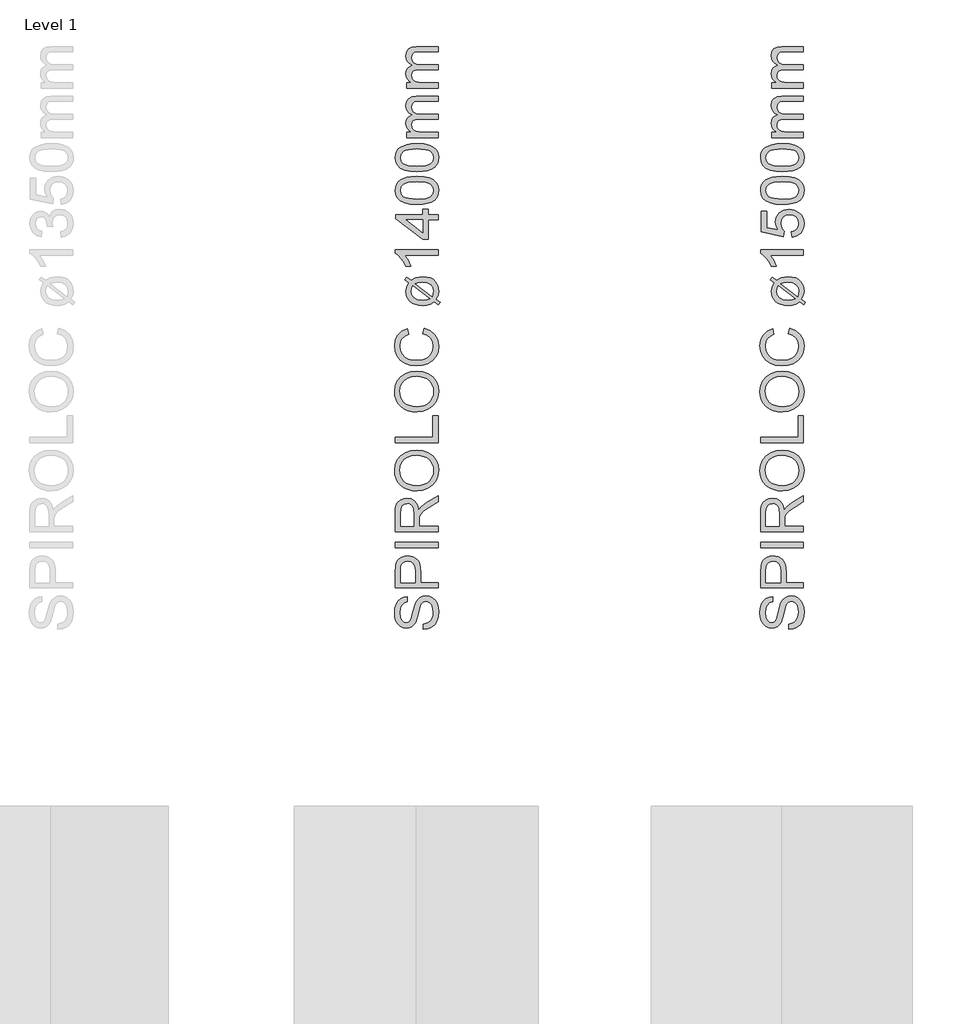
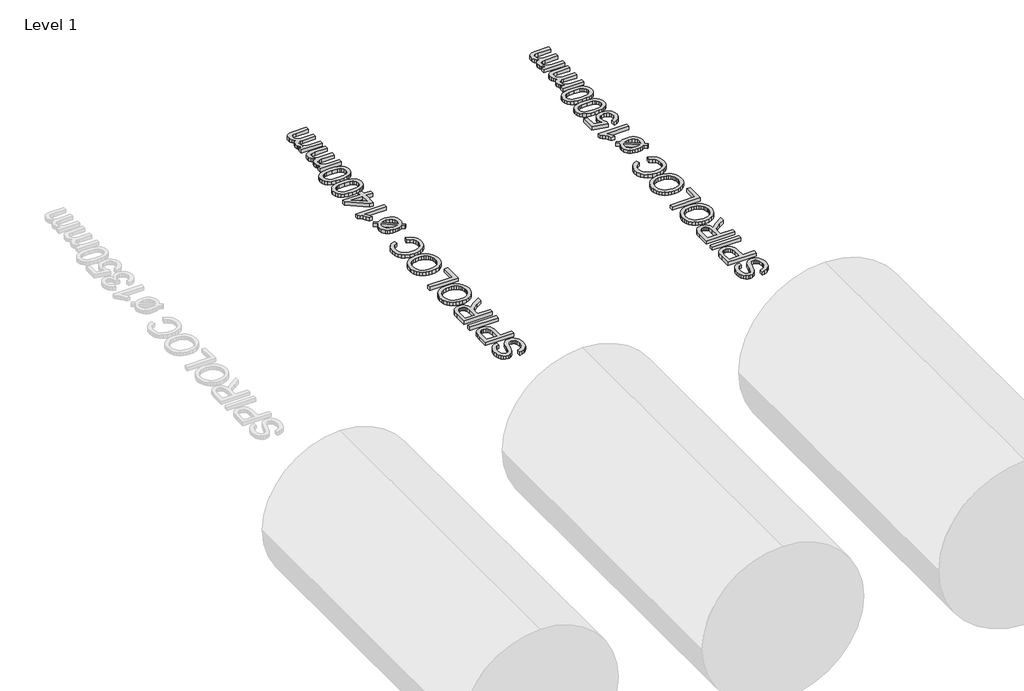
# One storey, part 19 of 19: 2 proxies.
"""IFC4 building model written with IfcOpenShell, lengths in millimetres."""

from ifc_helpers import new_model, si_unit, origin, origin_with_axes, place, context, project, spatial, polyline, outline, extrude, element, save

model = new_model("IFC4")

# Units and contexts
model_context = context("Model", 3, world=origin())
ifc_project = project(units=[si_unit("LENGTHUNIT", "METRE", prefix="MILLI")], contexts=[model_context])

# Site, building, storey
site = spatial("IfcSite", under=ifc_project)
building = spatial("IfcBuilding", under=site)
storey = spatial("IfcBuildingStorey", under=building, Name="Level 1", Elevation=0.0)

# Proxies
placement = place(None, origin())
element("IfcBuildingElementProxy", 1, Name="250mm", ObjectType="250mm", at=placement, inside=storey, context=model_context, shape_type="SweptSolid", body=[
    extrude(outline(polyline([(18688.3043383, 11932.8312074), (18688.3043383, 11963.6004382), (18705.3791581, 11967.1310873), (18719.1036172, 11973.5163036), (18729.9960451, 11983.4772411), (18738.574771, 11997.7350536), (18744.1411773, 12015.1629382), (18745.996646, 12034.6340921), (18740.3776557, 12066.7855344), (18733.7069826, 12078.9474935), (18724.9329441, 12087.5487555), (18714.8593263, 12092.6644406), (18704.2899153, 12094.369669), (18685.0891941, 12089.2614959), (18677.4945427, 12081.479044), (18671.1168383, 12068.3480344), (18659.3680403, 12023.5463517), (18644.1937614, 11975.3191882), (18633.8421989, 11960.002181), (18621.2971268, 11949.1473132), (18606.8289778, 11942.6794647), (18590.7081845, 11940.5235151), (18572.6868504, 11943.190282), (18555.8824633, 11951.1905824), (18541.6396749, 11964.31408), (18531.3031364, 11982.3504382), (18525.0155763, 12004.0000776), (18522.919723, 12027.963419), (18525.1132326, 12053.9249574), (18531.6937614, 12076.6413036), (18542.5260932, 12095.3011594), (18557.4750114, 12109.0932267), (18575.6090258, 12117.822193), (18595.996646, 12121.2927459), (18595.996646, 12090.5235151), (18577.637271, 12084.8744767), (18564.3860691, 12073.0956305), (18556.3632326, 12054.6911834), (18553.6889537, 12029.1653421), (18556.3331845, 12003.0385392), (18564.2658768, 11985.1148613), (18575.9395547, 11974.7482748), (18589.8067422, 11971.2927459), (18601.6306605, 11973.7416642), (18611.1408768, 11981.088419), (18619.6444826, 11998.4562074), (18628.3283768, 12031.3288036), (18643.7730883, 12085.775919), (18654.9359489, 12103.3164839), (18668.7129922, 12115.5535632), (18684.9539778, 12122.7425656), (18703.5086653, 12125.1388998), (18722.4765138, 12122.3819887), (18740.3175595, 12114.1112555), (18755.6721268, 12100.6647411), (18767.1805403, 12082.3804863), (18774.3695427, 12060.392806), (18776.7658768, 12035.8360151), (18774.1817422, 12005.690282), (18766.4293383, 11980.8780824), (18753.4786172, 11961.1139599), (18735.2995307, 11946.1124574), (18713.154098, 11936.4820488), (18688.3043383, 11932.8312074)])), origin_with_axes(), (0.0, 0.0, 1.0), 30.0),
    extrude(outline(polyline([(18772.919723, 12171.2927459), (18526.7658768, 12171.2927459), (18526.7658768, 12262.5187074), (18529.1096268, 12299.2975536), (18533.489134, 12315.6962916), (18540.6180403, 12329.1953901), (18550.8193624, 12340.065282), (18564.4161172, 12348.5763998), (18580.4542783, 12354.0751978), (18597.9798191, 12355.9081305), (18626.9912374, 12350.9577099), (18651.1649153, 12336.1064478), (18660.6826436, 12324.2130434), (18667.481021, 12308.3345127), (18671.5600475, 12288.4708559), (18672.919723, 12264.6220728), (18672.919723, 12202.0619767), (18772.919723, 12202.0619767), (18772.919723, 12171.2927459)]), holes=[polyline([(18642.1504922, 12202.0619767), (18642.1504922, 12266.4249574), (18639.325973, 12293.7086113), (18630.8524153, 12311.7374574), (18617.2556605, 12321.7885392), (18599.0615499, 12325.1388998), (18585.2394345, 12323.1632387), (18573.5807807, 12317.2362555), (18564.8067422, 12308.0941281), (18559.638473, 12296.4730344), (18557.5351076, 12265.7038036), (18557.5351076, 12202.0619767), (18642.1504922, 12202.0619767)])]), origin_with_axes(), (0.0, 0.0, 1.0), 30.0),
    extrude(outline(polyline([(18772.919723, 12402.0619767), (18526.7658768, 12402.0619767), (18526.7658768, 12432.8312074), (18772.919723, 12432.8312074), (18772.919723, 12402.0619767)])), origin_with_axes(), (0.0, 0.0, 1.0), 30.0),
    extrude(outline(polyline([(18772.919723, 12494.369669), (18526.7658768, 12494.369669), (18526.7658768, 12600.4393805), (18528.4260331, 12628.9474935), (18533.4065018, 12649.6881786), (18542.6012133, 12664.8474334), (18556.904098, 12676.6112555), (18574.6399754, 12684.1608349), (18594.1336653, 12686.6773613), (18618.3824633, 12682.5081906), (18638.4846268, 12670.0006786), (18653.2232085, 12648.7792243), (18661.3812614, 12618.4682267), (18674.5423191, 12635.9562074), (18706.2129922, 12660.8961113), (18772.919723, 12701.9417844), (18772.919723, 12666.1845728), (18721.8980883, 12634.1533228), (18688.1240499, 12611.0163036), (18672.168521, 12594.760294), (18666.309146, 12580.1268805), (18665.2274153, 12562.2783228), (18665.2274153, 12525.1388998), (18772.919723, 12525.1388998), (18772.919723, 12494.369669)]), holes=[polyline([(18634.4581845, 12525.1388998), (18634.4581845, 12594.0090921), (18630.1012133, 12629.135294), (18624.4371508, 12640.6887796), (18616.1589057, 12649.0872171), (18606.145384, 12654.2029022), (18595.2754922, 12655.9081305), (18580.2664778, 12652.6554262), (18568.1721268, 12642.8973132), (18560.1943624, 12626.1079502), (18557.5351076, 12601.7614959), (18557.5351076, 12525.1388998), (18634.4581845, 12525.1388998)])]), origin_with_axes(), (0.0, 0.0, 1.0), 30.0),
    extrude(outline(polyline([(18653.0879922, 12728.9850536), (18624.2155463, 12731.0358349), (18598.6559008, 12737.1881786), (18576.4090559, 12747.4420849), (18557.4750114, 12761.7975536), (18542.3570727, 12779.3944587), (18531.5585451, 12799.3726738), (18525.0794285, 12821.732199), (18522.919723, 12846.4730344), (18526.9762133, 12878.759693), (18539.1456845, 12907.7110151), (18558.5717662, 12931.7494767), (18584.3980883, 12949.2975536), (18615.3776557, 12960.0247171), (18650.263473, 12963.6004382), (18685.6150355, 12959.8369166), (18717.0302999, 12948.5463517), (18742.9016941, 12930.3522411), (18761.621646, 12905.8780824), (18772.9798191, 12877.174657), (18776.7658768, 12846.2927459), (18772.5816821, 12813.510294), (18760.029098, 12784.3937074), (18740.2424393, 12760.4153421), (18714.356021, 12743.0475536), (18684.5708648, 12732.5006786), (18653.0879922, 12728.9850536)]), holes=[polyline([(18653.388473, 12759.7542844), (18673.7873612, 12761.2923703), (18691.8950835, 12765.9066281), (18707.71164, 12773.5970578), (18721.2370307, 12784.3636594), (18732.0693624, 12797.4514749), (18739.8067422, 12812.1055464), (18744.4491701, 12828.3258739), (18745.996646, 12846.1124574), (18744.434146, 12864.2032778), (18739.746646, 12880.6151618), (18731.934146, 12895.3481095), (18720.996646, 12908.4021209), (18707.1857987, 12919.0898463), (18690.7532566, 12926.7239358), (18671.6990198, 12931.3043895), (18650.0230883, 12932.8312074), (18622.7845066, 12930.2170248), (18599.2418383, 12922.3744767), (18579.9885331, 12909.5063877), (18565.6180403, 12891.8155824), (18556.6712254, 12870.4739358), (18553.6889537, 12846.6533228), (18559.4356484, 12813.5553661), (18576.6757326, 12785.4153421), (18590.0903209, 12774.1886293), (18607.3473071, 12766.1695488), (18628.4466911, 12761.3581005), (18653.388473, 12759.7542844)])]), origin_with_axes(), (0.0, 0.0, 1.0), 30.0),
    extrude(outline(polyline([(18772.919723, 13005.9081305), (18526.7658768, 13005.9081305), (18526.7658768, 13036.6773613), (18742.1504922, 13036.6773613), (18742.1504922, 13159.7542844), (18772.919723, 13159.7542844), (18772.919723, 13005.9081305)])), origin_with_axes(), (0.0, 0.0, 1.0), 30.0),
    extrude(outline(polyline([(18653.0879922, 13182.8312074), (18624.2155463, 13184.8819887), (18598.6559008, 13191.0343324), (18576.4090559, 13201.2882387), (18557.4750114, 13215.6437074), (18542.3570727, 13233.2406125), (18531.5585451, 13253.2188276), (18525.0794285, 13275.5783529), (18522.919723, 13300.3191882), (18526.9762133, 13332.6058469), (18539.1456845, 13361.557169), (18558.5717662, 13385.5956305), (18584.3980883, 13403.1437074), (18615.3776557, 13413.8708709), (18650.263473, 13417.4465921), (18685.6150355, 13413.6830704), (18717.0302999, 13402.3925055), (18742.9016941, 13384.1983949), (18761.621646, 13359.7242363), (18772.9798191, 13331.0208108), (18776.7658768, 13300.1388998), (18772.5816821, 13267.3564478), (18760.029098, 13238.2398613), (18740.2424393, 13214.2614959), (18714.356021, 13196.8937074), (18684.5708648, 13186.3468324), (18653.0879922, 13182.8312074)]), holes=[polyline([(18653.388473, 13213.6004382), (18673.7873612, 13215.1385242), (18691.8950835, 13219.752782), (18707.71164, 13227.4432117), (18721.2370307, 13238.2098132), (18732.0693624, 13251.2976287), (18739.8067422, 13265.9517002), (18744.4491701, 13282.1720278), (18745.996646, 13299.9586113), (18744.434146, 13318.0494316), (18739.746646, 13334.4613156), (18731.934146, 13349.1942633), (18720.996646, 13362.2482748), (18707.1857987, 13372.9360001), (18690.7532566, 13380.5700897), (18671.6990198, 13385.1505434), (18650.0230883, 13386.6773613), (18622.7845066, 13384.0631786), (18599.2418383, 13376.2206305), (18579.9885331, 13363.3525416), (18565.6180403, 13345.6617363), (18556.6712254, 13324.3200897), (18553.6889537, 13300.4994767), (18559.4356484, 13267.4015199), (18576.6757326, 13239.2614959), (18590.0903209, 13228.0347832), (18607.3473071, 13220.0157026), (18628.4466911, 13215.2042543), (18653.388473, 13213.6004382)])]), origin_with_axes(), (0.0, 0.0, 1.0), 30.0),
    extrude(outline(polyline([(18685.419723, 13632.8312074), (18693.3524153, 13663.6004382), (18729.2072831, 13649.4027219), (18755.4016941, 13627.1220728), (18771.4248311, 13597.8552459), (18776.7658768, 13562.6989959), (18772.7244105, 13527.0093925), (18760.6000114, 13498.666544), (18740.8133528, 13476.9417844), (18713.7851076, 13461.1064478), (18682.0092662, 13451.4384791), (18647.9798191, 13448.2158228), (18612.0873912, 13451.8591522), (18581.0927999, 13462.7891401), (18555.9801196, 13480.4348733), (18537.7334249, 13504.2254382), (18526.6231484, 13532.4405824), (18522.919723, 13563.3600536), (18527.7123912, 13597.096532), (18542.090396, 13624.9886594), (18565.1673191, 13646.1650416), (18596.0567422, 13659.7542844), (18603.388473, 13628.9850536), (18580.9500715, 13618.3179863), (18565.5579441, 13603.744669), (18556.6562013, 13585.0848132), (18553.6889537, 13562.1581305), (18556.9792182, 13535.7308469), (18566.8500114, 13514.0211113), (18582.2646749, 13497.5472531), (18602.1865499, 13486.8276017), (18624.7075835, 13480.9456906), (18647.919723, 13478.9850536), (18676.3452037, 13481.3062675), (18700.9245307, 13488.2699094), (18720.7187013, 13500.1388998), (18734.7887133, 13517.1761594), (18743.1946629, 13537.6013397), (18745.996646, 13559.6340921), (18742.1805403, 13585.3176858), (18730.732223, 13606.7194286), (18711.7718864, 13622.877782), (18685.419723, 13632.8312074)])), origin_with_axes(), (0.0, 0.0, 1.0), 30.0),
    extrude(outline(polyline([(18605.8524153, 13924.8985151), (18581.5735691, 13943.2879382), (18592.7514537, 13957.9513998), (18618.1721268, 13938.6605344), (18644.434146, 13954.1653421), (18683.6168383, 13959.7542844), (18707.1595066, 13958.0077399), (18727.3668383, 13952.7681065), (18744.2388335, 13944.0353841), (18757.7754922, 13931.8095728), (18772.0182807, 13906.8245969), (18776.7658768, 13877.182169), (18772.7244105, 13852.4375776), (18760.6000114, 13830.7278421), (18784.4581845, 13812.6388998), (18773.5206845, 13797.7350536), (18750.7442422, 13815.0427459), (18727.5471268, 13801.0403421), (18707.7454441, 13796.0373373), (18685.4798191, 13794.369669), (18661.593476, 13795.8870969), (18641.2565619, 13800.4393805), (18624.4690769, 13808.0265199), (18611.231021, 13818.6485151), (18594.036009, 13845.0457507), (18588.3043383, 13875.6797651), (18592.5411172, 13900.619669), (18605.8524153, 13924.8985151)]), holes=[polyline([(18627.7274153, 13908.3119767), (18621.2370307, 13892.9273613), (18619.0735691, 13876.8215921), (18623.2277158, 13856.6142603), (18635.6901557, 13839.9826498), (18656.3707446, 13828.8498373), (18685.1793383, 13825.1388998), (18707.5952037, 13827.2873373), (18726.044723, 13833.7326498), (18627.7274153, 13908.3119767)]), polyline([(18643.1120307, 13919.7903421), (18740.888473, 13845.6316882), (18745.996646, 13875.1989959), (18741.9326436, 13896.5331305), (18729.7406364, 13913.7807267), (18709.4356484, 13925.1839719), (18681.0327037, 13928.9850536), (18659.8187614, 13926.6413036), (18643.1120307, 13919.7903421)])]), origin_with_axes(), (0.0, 0.0, 1.0), 30.0),
    extrude(outline(polyline([(18772.919723, 14113.6004382), (18772.919723, 14082.8312074), (18581.0927999, 14082.8312074), (18601.856021, 14053.6845728), (18617.3908768, 14021.2927459), (18588.3043383, 14021.2927459), (18575.1583047, 14045.4589118), (18559.5182807, 14066.3949094), (18542.8866701, 14082.8988156), (18526.7658768, 14093.7687074), (18526.7658768, 14113.6004382), (18772.919723, 14113.6004382)])), origin_with_axes(), (0.0, 0.0, 1.0), 30.0),
    extrude(outline(polyline([(18772.919723, 14286.6773613), (18715.2274153, 14286.6773613), (18715.2274153, 14175.1388998), (18684.4581845, 14175.1388998), (18530.6120307, 14294.369669), (18530.6120307, 14317.4465921), (18684.4581845, 14317.4465921), (18684.4581845, 14348.2158228), (18715.2274153, 14348.2158228), (18715.2274153, 14317.4465921), (18772.919723, 14317.4465921), (18772.919723, 14286.6773613)]), holes=[polyline([(18684.4581845, 14286.6773613), (18589.3860691, 14286.6773613), (18684.4581845, 14212.9994767), (18684.4581845, 14286.6773613)])]), origin_with_axes(), (0.0, 0.0, 1.0), 30.0),
    extrude(outline(polyline([(18651.825973, 14375.1388998), (18612.4254321, 14377.4000175), (18581.0026557, 14384.1833709), (18557.0768744, 14395.4213517), (18540.1673191, 14411.0463517), (18530.1162374, 14431.1710512), (18526.7658768, 14455.9081305), (18528.7490499, 14474.8684671), (18534.6985691, 14491.8456305), (18544.3815619, 14506.0433469), (18557.5651557, 14516.6653421), (18593.9834249, 14531.088419), (18619.1862494, 14535.2801257), (18651.825973, 14536.6773613), (18691.0011533, 14534.4387796), (18722.3488095, 14527.7230344), (18746.2971268, 14516.5526618), (18763.2742903, 14500.9501978), (18773.3929802, 14480.7804262), (18776.7658768, 14455.9081305), (18775.3010331, 14438.9610151), (18770.9065018, 14423.9369767), (18763.5822831, 14410.8360151), (18753.3283768, 14399.6581305), (18734.7924694, 14388.9309671), (18711.6967662, 14381.2687074), (18684.0412674, 14376.6713517), (18651.825973, 14375.1388998)]), holes=[polyline([(18651.7658768, 14405.9081305), (18700.1658167, 14409.5138998), (18716.7204291, 14414.0211113), (18728.1781364, 14420.3312074), (18741.5420186, 14436.4369767), (18745.996646, 14455.9081305), (18741.5269946, 14475.3792844), (18728.1180403, 14491.4850536), (18716.6415529, 14497.7951498), (18700.0906965, 14502.3023613), (18651.7658768, 14505.9081305), (18604.4551797, 14502.4225536), (18587.9550295, 14498.0655824), (18576.2250114, 14491.9658228), (18562.2075835, 14475.8901017), (18557.5351076, 14455.5475536), (18561.6516941, 14436.2867363), (18574.0014537, 14420.8119767), (18586.7718864, 14414.291544), (18603.9894345, 14409.6340921), (18651.7658768, 14405.9081305)])]), origin_with_axes(), (0.0, 0.0, 1.0), 30.0),
    extrude(outline(polyline([(18651.825973, 14563.6004382), (18612.4254321, 14565.861556), (18581.0026557, 14572.6449094), (18557.0768744, 14583.8828901), (18540.1673191, 14599.5078901), (18530.1162374, 14619.6325897), (18526.7658768, 14644.369669), (18528.7490499, 14663.3300055), (18534.6985691, 14680.307169), (18544.3815619, 14694.5048853), (18557.5651557, 14705.1268805), (18593.9834249, 14719.5499574), (18619.1862494, 14723.7416642), (18651.825973, 14725.1388998), (18691.0011533, 14722.900318), (18722.3488095, 14716.1845728), (18746.2971268, 14705.0142002), (18763.2742903, 14689.4117363), (18773.3929802, 14669.2419647), (18776.7658768, 14644.369669), (18775.3010331, 14627.4225536), (18770.9065018, 14612.3985151), (18763.5822831, 14599.2975536), (18753.3283768, 14588.119669), (18734.7924694, 14577.3925055), (18711.6967662, 14569.7302459), (18684.0412674, 14565.1328901), (18651.825973, 14563.6004382)]), holes=[polyline([(18651.7658768, 14594.369669), (18700.1658167, 14597.9754382), (18716.7204291, 14602.4826498), (18728.1781364, 14608.7927459), (18741.5420186, 14624.8985151), (18745.996646, 14644.369669), (18741.5269946, 14663.8408228), (18728.1180403, 14679.9465921), (18716.6415529, 14686.2566882), (18700.0906965, 14690.7638998), (18651.7658768, 14694.369669), (18604.4551797, 14690.8840921), (18587.9550295, 14686.5271209), (18576.2250114, 14680.4273613), (18562.2075835, 14664.3516401), (18557.5351076, 14644.0090921), (18561.6516941, 14624.7482748), (18574.0014537, 14609.2735151), (18586.7718864, 14602.7530824), (18603.9894345, 14598.0956305), (18651.7658768, 14594.369669)])]), origin_with_axes(), (0.0, 0.0, 1.0), 30.0),
    extrude(outline(polyline([(18772.919723, 14759.7542844), (18592.1504922, 14759.7542844), (18592.1504922, 14790.5235151), (18621.8980883, 14790.5235151), (18608.2337254, 14799.7783228), (18597.529098, 14811.6773613), (18590.6105283, 14825.8149815), (18588.3043383, 14841.7855344), (18590.6556004, 14858.8979142), (18597.7093864, 14872.6148613), (18608.9999513, 14882.8612555), (18624.0615499, 14889.5619767), (18608.4177698, 14900.7774214), (18597.2436412, 14913.5703901), (18590.5391641, 14927.9408829), (18588.3043383, 14943.8888998), (18592.0227879, 14967.018407), (18603.1781364, 14984.1232748), (18622.0708648, 14994.6926858), (18649.0014537, 14998.2158228), (18772.919723, 14998.2158228), (18772.919723, 14967.4465921), (18662.2226076, 14967.4465921), (18636.5315018, 14964.5920248), (18623.8812614, 14954.2554863), (18619.0735691, 14936.6773613), (18622.153497, 14920.0081906), (18631.3932807, 14906.4189478), (18647.4239297, 14897.3819887), (18670.8764537, 14894.369669), (18772.919723, 14894.369669), (18772.919723, 14863.6004382), (18658.7971268, 14863.6004382), (18641.3992903, 14861.8200897), (18628.9894345, 14856.479044), (18621.5525355, 14847.0815079), (18619.0735691, 14833.1316882), (18620.7262133, 14821.2777219), (18625.684146, 14810.3552459), (18633.8271749, 14801.3408228), (18645.0351076, 14795.2110151), (18681.7538576, 14790.5235151), (18772.919723, 14790.5235151), (18772.919723, 14759.7542844)])), origin_with_axes(), (0.0, 0.0, 1.0), 30.0),
    extrude(outline(polyline([(18772.919723, 15044.369669), (18592.1504922, 15044.369669), (18592.1504922, 15075.1388998), (18621.8980883, 15075.1388998), (18608.2337254, 15084.3937074), (18597.529098, 15096.2927459), (18590.6105283, 15110.4303661), (18588.3043383, 15126.400919), (18590.6556004, 15143.5132988), (18597.7093864, 15157.2302459), (18608.9999513, 15167.4766401), (18624.0615499, 15174.1773613), (18608.4177698, 15185.392806), (18597.2436412, 15198.1857748), (18590.5391641, 15212.5562675), (18588.3043383, 15228.5042844), (18592.0227879, 15251.6337916), (18603.1781364, 15268.7386594), (18622.0708648, 15279.3080704), (18649.0014537, 15282.8312074), (18772.919723, 15282.8312074), (18772.919723, 15252.0619767), (18662.2226076, 15252.0619767), (18636.5315018, 15249.2074094), (18623.8812614, 15238.8708709), (18619.0735691, 15221.2927459), (18622.153497, 15204.6235752), (18631.3932807, 15191.0343324), (18647.4239297, 15181.9973733), (18670.8764537, 15178.9850536), (18772.919723, 15178.9850536), (18772.919723, 15148.2158228), (18658.7971268, 15148.2158228), (18641.3992903, 15146.4354743), (18628.9894345, 15141.0944286), (18621.5525355, 15131.6968925), (18619.0735691, 15117.7470728), (18620.7262133, 15105.8931065), (18625.684146, 15094.9706305), (18633.8271749, 15085.9562074), (18645.0351076, 15079.8263998), (18681.7538576, 15075.1388998), (18772.919723, 15075.1388998), (18772.919723, 15044.369669)])), origin_with_axes(), (0.0, 0.0, 1.0), 30.0),
])
element("IfcBuildingElementProxy", 2, Name="250mm", ObjectType="250mm", at=placement, inside=storey, context=model_context, shape_type="SweptSolid", body=[
    extrude(outline(polyline([(20788.3043383, 11932.8312074), (20788.3043383, 11963.6004382), (20805.3791581, 11967.1310873), (20819.1036172, 11973.5163036), (20829.9960451, 11983.4772411), (20838.574771, 11997.7350536), (20844.1411773, 12015.1629382), (20845.996646, 12034.6340921), (20840.3776557, 12066.7855344), (20833.7069826, 12078.9474935), (20824.9329441, 12087.5487555), (20814.8593263, 12092.6644406), (20804.2899153, 12094.369669), (20785.0891941, 12089.2614959), (20777.4945427, 12081.479044), (20771.1168383, 12068.3480344), (20759.3680403, 12023.5463517), (20744.1937614, 11975.3191882), (20733.8421989, 11960.002181), (20721.2971268, 11949.1473132), (20706.8289778, 11942.6794647), (20690.7081845, 11940.5235151), (20672.6868504, 11943.190282), (20655.8824633, 11951.1905824), (20641.6396749, 11964.31408), (20631.3031364, 11982.3504382), (20625.0155763, 12004.0000776), (20622.919723, 12027.963419), (20625.1132326, 12053.9249574), (20631.6937614, 12076.6413036), (20642.5260932, 12095.3011594), (20657.4750114, 12109.0932267), (20675.6090258, 12117.822193), (20695.996646, 12121.2927459), (20695.996646, 12090.5235151), (20677.637271, 12084.8744767), (20664.3860691, 12073.0956305), (20656.3632326, 12054.6911834), (20653.6889537, 12029.1653421), (20656.3331845, 12003.0385392), (20664.2658768, 11985.1148613), (20675.9395547, 11974.7482748), (20689.8067422, 11971.2927459), (20701.6306605, 11973.7416642), (20711.1408768, 11981.088419), (20719.6444826, 11998.4562074), (20728.3283768, 12031.3288036), (20743.7730883, 12085.775919), (20754.9359489, 12103.3164839), (20768.7129922, 12115.5535632), (20784.9539778, 12122.7425656), (20803.5086653, 12125.1388998), (20822.4765138, 12122.3819887), (20840.3175595, 12114.1112555), (20855.6721268, 12100.6647411), (20867.1805403, 12082.3804863), (20874.3695427, 12060.392806), (20876.7658768, 12035.8360151), (20874.1817422, 12005.690282), (20866.4293383, 11980.8780824), (20853.4786172, 11961.1139599), (20835.2995307, 11946.1124574), (20813.154098, 11936.4820488), (20788.3043383, 11932.8312074)])), origin_with_axes(), (0.0, 0.0, 1.0), 30.0),
    extrude(outline(polyline([(20872.919723, 12171.2927459), (20626.7658768, 12171.2927459), (20626.7658768, 12262.5187074), (20629.1096268, 12299.2975536), (20633.489134, 12315.6962916), (20640.6180403, 12329.1953901), (20650.8193624, 12340.065282), (20664.4161172, 12348.5763998), (20680.4542783, 12354.0751978), (20697.9798191, 12355.9081305), (20726.9912374, 12350.9577099), (20751.1649153, 12336.1064478), (20760.6826436, 12324.2130434), (20767.481021, 12308.3345127), (20771.5600475, 12288.4708559), (20772.919723, 12264.6220728), (20772.919723, 12202.0619767), (20872.919723, 12202.0619767), (20872.919723, 12171.2927459)]), holes=[polyline([(20742.1504922, 12202.0619767), (20742.1504922, 12266.4249574), (20739.325973, 12293.7086113), (20730.8524153, 12311.7374574), (20717.2556605, 12321.7885392), (20699.0615499, 12325.1388998), (20685.2394345, 12323.1632387), (20673.5807807, 12317.2362555), (20664.8067422, 12308.0941281), (20659.638473, 12296.4730344), (20657.5351076, 12265.7038036), (20657.5351076, 12202.0619767), (20742.1504922, 12202.0619767)])]), origin_with_axes(), (0.0, 0.0, 1.0), 30.0),
    extrude(outline(polyline([(20872.919723, 12402.0619767), (20626.7658768, 12402.0619767), (20626.7658768, 12432.8312074), (20872.919723, 12432.8312074), (20872.919723, 12402.0619767)])), origin_with_axes(), (0.0, 0.0, 1.0), 30.0),
    extrude(outline(polyline([(20872.919723, 12494.369669), (20626.7658768, 12494.369669), (20626.7658768, 12600.4393805), (20628.4260331, 12628.9474935), (20633.4065018, 12649.6881786), (20642.6012133, 12664.8474334), (20656.904098, 12676.6112555), (20674.6399754, 12684.1608349), (20694.1336653, 12686.6773613), (20718.3824633, 12682.5081906), (20738.4846268, 12670.0006786), (20753.2232085, 12648.7792243), (20761.3812614, 12618.4682267), (20774.5423191, 12635.9562074), (20806.2129922, 12660.8961113), (20872.919723, 12701.9417844), (20872.919723, 12666.1845728), (20821.8980883, 12634.1533228), (20788.1240499, 12611.0163036), (20772.168521, 12594.760294), (20766.309146, 12580.1268805), (20765.2274153, 12562.2783228), (20765.2274153, 12525.1388998), (20872.919723, 12525.1388998), (20872.919723, 12494.369669)]), holes=[polyline([(20734.4581845, 12525.1388998), (20734.4581845, 12594.0090921), (20730.1012133, 12629.135294), (20724.4371508, 12640.6887796), (20716.1589057, 12649.0872171), (20706.145384, 12654.2029022), (20695.2754922, 12655.9081305), (20680.2664778, 12652.6554262), (20668.1721268, 12642.8973132), (20660.1943624, 12626.1079502), (20657.5351076, 12601.7614959), (20657.5351076, 12525.1388998), (20734.4581845, 12525.1388998)])]), origin_with_axes(), (0.0, 0.0, 1.0), 30.0),
    extrude(outline(polyline([(20753.0879922, 12728.9850536), (20724.2155463, 12731.0358349), (20698.6559008, 12737.1881786), (20676.4090559, 12747.4420849), (20657.4750114, 12761.7975536), (20642.3570727, 12779.3944587), (20631.5585451, 12799.3726738), (20625.0794285, 12821.732199), (20622.919723, 12846.4730344), (20626.9762133, 12878.759693), (20639.1456845, 12907.7110151), (20658.5717662, 12931.7494767), (20684.3980883, 12949.2975536), (20715.3776557, 12960.0247171), (20750.263473, 12963.6004382), (20785.6150355, 12959.8369166), (20817.0302999, 12948.5463517), (20842.9016941, 12930.3522411), (20861.621646, 12905.8780824), (20872.9798191, 12877.174657), (20876.7658768, 12846.2927459), (20872.5816821, 12813.510294), (20860.029098, 12784.3937074), (20840.2424393, 12760.4153421), (20814.356021, 12743.0475536), (20784.5708648, 12732.5006786), (20753.0879922, 12728.9850536)]), holes=[polyline([(20753.388473, 12759.7542844), (20773.7873612, 12761.2923703), (20791.8950835, 12765.9066281), (20807.71164, 12773.5970578), (20821.2370307, 12784.3636594), (20832.0693624, 12797.4514749), (20839.8067422, 12812.1055464), (20844.4491701, 12828.3258739), (20845.996646, 12846.1124574), (20844.434146, 12864.2032778), (20839.746646, 12880.6151618), (20831.934146, 12895.3481095), (20820.996646, 12908.4021209), (20807.1857987, 12919.0898463), (20790.7532566, 12926.7239358), (20771.6990198, 12931.3043895), (20750.0230883, 12932.8312074), (20722.7845066, 12930.2170248), (20699.2418383, 12922.3744767), (20679.9885331, 12909.5063877), (20665.6180403, 12891.8155824), (20656.6712254, 12870.4739358), (20653.6889537, 12846.6533228), (20659.4356484, 12813.5553661), (20676.6757326, 12785.4153421), (20690.0903209, 12774.1886293), (20707.3473071, 12766.1695488), (20728.4466911, 12761.3581005), (20753.388473, 12759.7542844)])]), origin_with_axes(), (0.0, 0.0, 1.0), 30.0),
    extrude(outline(polyline([(20872.919723, 13005.9081305), (20626.7658768, 13005.9081305), (20626.7658768, 13036.6773613), (20842.1504922, 13036.6773613), (20842.1504922, 13159.7542844), (20872.919723, 13159.7542844), (20872.919723, 13005.9081305)])), origin_with_axes(), (0.0, 0.0, 1.0), 30.0),
    extrude(outline(polyline([(20753.0879922, 13182.8312074), (20724.2155463, 13184.8819887), (20698.6559008, 13191.0343324), (20676.4090559, 13201.2882387), (20657.4750114, 13215.6437074), (20642.3570727, 13233.2406125), (20631.5585451, 13253.2188276), (20625.0794285, 13275.5783529), (20622.919723, 13300.3191882), (20626.9762133, 13332.6058469), (20639.1456845, 13361.557169), (20658.5717662, 13385.5956305), (20684.3980883, 13403.1437074), (20715.3776557, 13413.8708709), (20750.263473, 13417.4465921), (20785.6150355, 13413.6830704), (20817.0302999, 13402.3925055), (20842.9016941, 13384.1983949), (20861.621646, 13359.7242363), (20872.9798191, 13331.0208108), (20876.7658768, 13300.1388998), (20872.5816821, 13267.3564478), (20860.029098, 13238.2398613), (20840.2424393, 13214.2614959), (20814.356021, 13196.8937074), (20784.5708648, 13186.3468324), (20753.0879922, 13182.8312074)]), holes=[polyline([(20753.388473, 13213.6004382), (20773.7873612, 13215.1385242), (20791.8950835, 13219.752782), (20807.71164, 13227.4432117), (20821.2370307, 13238.2098132), (20832.0693624, 13251.2976287), (20839.8067422, 13265.9517002), (20844.4491701, 13282.1720278), (20845.996646, 13299.9586113), (20844.434146, 13318.0494316), (20839.746646, 13334.4613156), (20831.934146, 13349.1942633), (20820.996646, 13362.2482748), (20807.1857987, 13372.9360001), (20790.7532566, 13380.5700897), (20771.6990198, 13385.1505434), (20750.0230883, 13386.6773613), (20722.7845066, 13384.0631786), (20699.2418383, 13376.2206305), (20679.9885331, 13363.3525416), (20665.6180403, 13345.6617363), (20656.6712254, 13324.3200897), (20653.6889537, 13300.4994767), (20659.4356484, 13267.4015199), (20676.6757326, 13239.2614959), (20690.0903209, 13228.0347832), (20707.3473071, 13220.0157026), (20728.4466911, 13215.2042543), (20753.388473, 13213.6004382)])]), origin_with_axes(), (0.0, 0.0, 1.0), 30.0),
    extrude(outline(polyline([(20785.419723, 13632.8312074), (20793.3524153, 13663.6004382), (20829.2072831, 13649.4027219), (20855.4016941, 13627.1220728), (20871.4248311, 13597.8552459), (20876.7658768, 13562.6989959), (20872.7244105, 13527.0093925), (20860.6000114, 13498.666544), (20840.8133528, 13476.9417844), (20813.7851076, 13461.1064478), (20782.0092662, 13451.4384791), (20747.9798191, 13448.2158228), (20712.0873912, 13451.8591522), (20681.0927999, 13462.7891401), (20655.9801196, 13480.4348733), (20637.7334249, 13504.2254382), (20626.6231484, 13532.4405824), (20622.919723, 13563.3600536), (20627.7123912, 13597.096532), (20642.090396, 13624.9886594), (20665.1673191, 13646.1650416), (20696.0567422, 13659.7542844), (20703.388473, 13628.9850536), (20680.9500715, 13618.3179863), (20665.5579441, 13603.744669), (20656.6562013, 13585.0848132), (20653.6889537, 13562.1581305), (20656.9792182, 13535.7308469), (20666.8500114, 13514.0211113), (20682.2646749, 13497.5472531), (20702.1865499, 13486.8276017), (20724.7075835, 13480.9456906), (20747.919723, 13478.9850536), (20776.3452037, 13481.3062675), (20800.9245307, 13488.2699094), (20820.7187013, 13500.1388998), (20834.7887133, 13517.1761594), (20843.1946629, 13537.6013397), (20845.996646, 13559.6340921), (20842.1805403, 13585.3176858), (20830.732223, 13606.7194286), (20811.7718864, 13622.877782), (20785.419723, 13632.8312074)])), origin_with_axes(), (0.0, 0.0, 1.0), 30.0),
    extrude(outline(polyline([(20705.8524153, 13924.8985151), (20681.5735691, 13943.2879382), (20692.7514537, 13957.9513998), (20718.1721268, 13938.6605344), (20744.434146, 13954.1653421), (20783.6168383, 13959.7542844), (20807.1595066, 13958.0077399), (20827.3668383, 13952.7681065), (20844.2388335, 13944.0353841), (20857.7754922, 13931.8095728), (20872.0182807, 13906.8245969), (20876.7658768, 13877.182169), (20872.7244105, 13852.4375776), (20860.6000114, 13830.7278421), (20884.4581845, 13812.6388998), (20873.5206845, 13797.7350536), (20850.7442422, 13815.0427459), (20827.5471268, 13801.0403421), (20807.7454441, 13796.0373373), (20785.4798191, 13794.369669), (20761.593476, 13795.8870969), (20741.2565619, 13800.4393805), (20724.4690769, 13808.0265199), (20711.231021, 13818.6485151), (20694.036009, 13845.0457507), (20688.3043383, 13875.6797651), (20692.5411172, 13900.619669), (20705.8524153, 13924.8985151)]), holes=[polyline([(20727.7274153, 13908.3119767), (20721.2370307, 13892.9273613), (20719.0735691, 13876.8215921), (20723.2277158, 13856.6142603), (20735.6901557, 13839.9826498), (20756.3707446, 13828.8498373), (20785.1793383, 13825.1388998), (20807.5952037, 13827.2873373), (20826.044723, 13833.7326498), (20727.7274153, 13908.3119767)]), polyline([(20743.1120307, 13919.7903421), (20840.888473, 13845.6316882), (20845.996646, 13875.1989959), (20841.9326436, 13896.5331305), (20829.7406364, 13913.7807267), (20809.4356484, 13925.1839719), (20781.0327037, 13928.9850536), (20759.8187614, 13926.6413036), (20743.1120307, 13919.7903421)])]), origin_with_axes(), (0.0, 0.0, 1.0), 30.0),
    extrude(outline(polyline([(20872.919723, 14113.6004382), (20872.919723, 14082.8312074), (20681.0927999, 14082.8312074), (20701.856021, 14053.6845728), (20717.3908768, 14021.2927459), (20688.3043383, 14021.2927459), (20675.1583047, 14045.4589118), (20659.5182807, 14066.3949094), (20642.8866701, 14082.8988156), (20626.7658768, 14093.7687074), (20626.7658768, 14113.6004382), (20872.919723, 14113.6004382)])), origin_with_axes(), (0.0, 0.0, 1.0), 30.0),
    extrude(outline(polyline([(20807.5351076, 14186.6773613), (20803.6889537, 14217.4465921), (20822.161009, 14223.0956305), (20835.3896749, 14232.9513998), (20843.3449033, 14246.9688276), (20845.996646, 14265.1028421), (20842.3082446, 14287.1581305), (20831.2430403, 14303.6845728), (20814.0780763, 14314.0060873), (20792.090396, 14317.4465921), (20771.387271, 14314.2239358), (20755.5519345, 14304.5559671), (20745.5008528, 14288.3675656), (20742.1504922, 14265.5836113), (20747.4990499, 14238.5703901), (20761.3812614, 14221.2927459), (20757.5351076, 14190.5235151), (20630.6120307, 14217.4465921), (20630.6120307, 14336.6773613), (20661.3812614, 14336.6773613), (20661.3812614, 14242.3263998), (20729.169723, 14229.1653421), (20715.8283768, 14251.1455103), (20711.3812614, 14274.1773613), (20716.8950835, 14302.9258589), (20733.4365499, 14326.791544), (20758.6468864, 14342.8597531), (20790.1673191, 14348.2158228), (20820.9365499, 14343.3931065), (20847.2586653, 14328.9249574), (20860.1680703, 14316.1395007), (20869.3890739, 14301.2206305), (20874.9216761, 14284.1683469), (20876.7658768, 14264.9826498), (20872.0257927, 14234.7617964), (20857.8055403, 14210.6857748), (20835.7577638, 14194.1818685), (20807.5351076, 14186.6773613)])), origin_with_axes(), (0.0, 0.0, 1.0), 30.0),
    extrude(outline(polyline([(20751.825973, 14375.1388998), (20712.4254321, 14377.4000175), (20681.0026557, 14384.1833709), (20657.0768744, 14395.4213517), (20640.1673191, 14411.0463517), (20630.1162374, 14431.1710512), (20626.7658768, 14455.9081305), (20628.7490499, 14474.8684671), (20634.6985691, 14491.8456305), (20644.3815619, 14506.0433469), (20657.5651557, 14516.6653421), (20693.9834249, 14531.088419), (20719.1862494, 14535.2801257), (20751.825973, 14536.6773613), (20791.0011533, 14534.4387796), (20822.3488095, 14527.7230344), (20846.2971268, 14516.5526618), (20863.2742903, 14500.9501978), (20873.3929802, 14480.7804262), (20876.7658768, 14455.9081305), (20875.3010331, 14438.9610151), (20870.9065018, 14423.9369767), (20863.5822831, 14410.8360151), (20853.3283768, 14399.6581305), (20834.7924694, 14388.9309671), (20811.6967662, 14381.2687074), (20784.0412674, 14376.6713517), (20751.825973, 14375.1388998)]), holes=[polyline([(20751.7658768, 14405.9081305), (20800.1658167, 14409.5138998), (20816.7204291, 14414.0211113), (20828.1781364, 14420.3312074), (20841.5420186, 14436.4369767), (20845.996646, 14455.9081305), (20841.5269946, 14475.3792844), (20828.1180403, 14491.4850536), (20816.6415529, 14497.7951498), (20800.0906965, 14502.3023613), (20751.7658768, 14505.9081305), (20704.4551797, 14502.4225536), (20687.9550295, 14498.0655824), (20676.2250114, 14491.9658228), (20662.2075835, 14475.8901017), (20657.5351076, 14455.5475536), (20661.6516941, 14436.2867363), (20674.0014537, 14420.8119767), (20686.7718864, 14414.291544), (20703.9894345, 14409.6340921), (20751.7658768, 14405.9081305)])]), origin_with_axes(), (0.0, 0.0, 1.0), 30.0),
    extrude(outline(polyline([(20751.825973, 14563.6004382), (20712.4254321, 14565.861556), (20681.0026557, 14572.6449094), (20657.0768744, 14583.8828901), (20640.1673191, 14599.5078901), (20630.1162374, 14619.6325897), (20626.7658768, 14644.369669), (20628.7490499, 14663.3300055), (20634.6985691, 14680.307169), (20644.3815619, 14694.5048853), (20657.5651557, 14705.1268805), (20693.9834249, 14719.5499574), (20719.1862494, 14723.7416642), (20751.825973, 14725.1388998), (20791.0011533, 14722.900318), (20822.3488095, 14716.1845728), (20846.2971268, 14705.0142002), (20863.2742903, 14689.4117363), (20873.3929802, 14669.2419647), (20876.7658768, 14644.369669), (20875.3010331, 14627.4225536), (20870.9065018, 14612.3985151), (20863.5822831, 14599.2975536), (20853.3283768, 14588.119669), (20834.7924694, 14577.3925055), (20811.6967662, 14569.7302459), (20784.0412674, 14565.1328901), (20751.825973, 14563.6004382)]), holes=[polyline([(20751.7658768, 14594.369669), (20800.1658167, 14597.9754382), (20816.7204291, 14602.4826498), (20828.1781364, 14608.7927459), (20841.5420186, 14624.8985151), (20845.996646, 14644.369669), (20841.5269946, 14663.8408228), (20828.1180403, 14679.9465921), (20816.6415529, 14686.2566882), (20800.0906965, 14690.7638998), (20751.7658768, 14694.369669), (20704.4551797, 14690.8840921), (20687.9550295, 14686.5271209), (20676.2250114, 14680.4273613), (20662.2075835, 14664.3516401), (20657.5351076, 14644.0090921), (20661.6516941, 14624.7482748), (20674.0014537, 14609.2735151), (20686.7718864, 14602.7530824), (20703.9894345, 14598.0956305), (20751.7658768, 14594.369669)])]), origin_with_axes(), (0.0, 0.0, 1.0), 30.0),
    extrude(outline(polyline([(20872.919723, 14759.7542844), (20692.1504922, 14759.7542844), (20692.1504922, 14790.5235151), (20721.8980883, 14790.5235151), (20708.2337254, 14799.7783228), (20697.529098, 14811.6773613), (20690.6105283, 14825.8149815), (20688.3043383, 14841.7855344), (20690.6556004, 14858.8979142), (20697.7093864, 14872.6148613), (20708.9999513, 14882.8612555), (20724.0615499, 14889.5619767), (20708.4177698, 14900.7774214), (20697.2436412, 14913.5703901), (20690.5391641, 14927.9408829), (20688.3043383, 14943.8888998), (20692.0227879, 14967.018407), (20703.1781364, 14984.1232748), (20722.0708648, 14994.6926858), (20749.0014537, 14998.2158228), (20872.919723, 14998.2158228), (20872.919723, 14967.4465921), (20762.2226076, 14967.4465921), (20736.5315018, 14964.5920248), (20723.8812614, 14954.2554863), (20719.0735691, 14936.6773613), (20722.153497, 14920.0081906), (20731.3932807, 14906.4189478), (20747.4239297, 14897.3819887), (20770.8764537, 14894.369669), (20872.919723, 14894.369669), (20872.919723, 14863.6004382), (20758.7971268, 14863.6004382), (20741.3992903, 14861.8200897), (20728.9894345, 14856.479044), (20721.5525355, 14847.0815079), (20719.0735691, 14833.1316882), (20720.7262133, 14821.2777219), (20725.684146, 14810.3552459), (20733.8271749, 14801.3408228), (20745.0351076, 14795.2110151), (20781.7538576, 14790.5235151), (20872.919723, 14790.5235151), (20872.919723, 14759.7542844)])), origin_with_axes(), (0.0, 0.0, 1.0), 30.0),
    extrude(outline(polyline([(20872.919723, 15044.369669), (20692.1504922, 15044.369669), (20692.1504922, 15075.1388998), (20721.8980883, 15075.1388998), (20708.2337254, 15084.3937074), (20697.529098, 15096.2927459), (20690.6105283, 15110.4303661), (20688.3043383, 15126.400919), (20690.6556004, 15143.5132988), (20697.7093864, 15157.2302459), (20708.9999513, 15167.4766401), (20724.0615499, 15174.1773613), (20708.4177698, 15185.392806), (20697.2436412, 15198.1857748), (20690.5391641, 15212.5562675), (20688.3043383, 15228.5042844), (20692.0227879, 15251.6337916), (20703.1781364, 15268.7386594), (20722.0708648, 15279.3080704), (20749.0014537, 15282.8312074), (20872.919723, 15282.8312074), (20872.919723, 15252.0619767), (20762.2226076, 15252.0619767), (20736.5315018, 15249.2074094), (20723.8812614, 15238.8708709), (20719.0735691, 15221.2927459), (20722.153497, 15204.6235752), (20731.3932807, 15191.0343324), (20747.4239297, 15181.9973733), (20770.8764537, 15178.9850536), (20872.919723, 15178.9850536), (20872.919723, 15148.2158228), (20758.7971268, 15148.2158228), (20741.3992903, 15146.4354743), (20728.9894345, 15141.0944286), (20721.5525355, 15131.6968925), (20719.0735691, 15117.7470728), (20720.7262133, 15105.8931065), (20725.684146, 15094.9706305), (20733.8271749, 15085.9562074), (20745.0351076, 15079.8263998), (20781.7538576, 15075.1388998), (20872.919723, 15075.1388998), (20872.919723, 15044.369669)])), origin_with_axes(), (0.0, 0.0, 1.0), 30.0),
])

save(model, "model.ifc")
